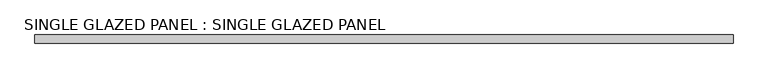
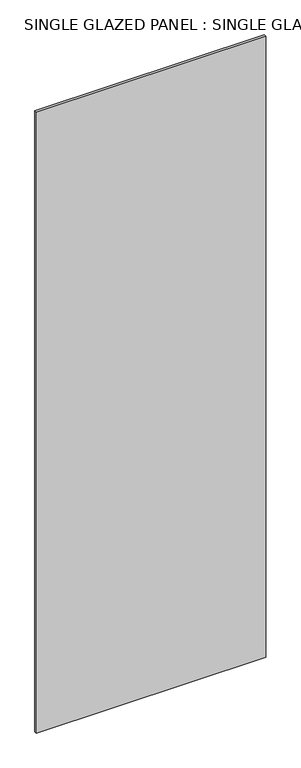
"""IFC4 building model written with IfcOpenShell, lengths in millimetres: plate geometry, SINGLE GLAZED PANEL : SINGLE GLAZED PANEL."""

from ifc_helpers import new_model, si_unit, origin, origin_with_axes, place, context, project, spatial, polyline, outline, extrude, source, transform, mapped, element, save


def single_glazed_panel_single_glazed_panel_b4634a82(model_context):
    return source(origin(), model_context, "Body", "SweptSolid", [
        extrude(outline(polyline([(531.79905, 6.35), (531.79905, -6.35), (-531.79905, -6.35), (-531.79905, 6.35), (531.79905, 6.35)])), origin_with_axes(), (0.0, 0.0, 1.0), 3041.65),
    ])


if __name__ == "__main__":
    model = new_model("IFC4")
    model_context = context("Model", 3, world=origin())
    ifc_project = project(units=[si_unit("LENGTHUNIT", "METRE", prefix="MILLI")], contexts=[model_context])
    site = spatial("IfcSite", under=ifc_project)
    building = spatial("IfcBuilding", under=site)
    placement = place(None, origin())
    single_glazed_panel_single_glazed_panel_shape = single_glazed_panel_single_glazed_panel_b4634a82(model_context)
    element("IfcPlate", 1, ObjectType="SINGLE GLAZED PANEL : SINGLE GLAZED PANEL", at=placement, inside=building, context=model_context, shape_type="MappedRepresentation", body=[
        mapped(single_glazed_panel_single_glazed_panel_shape, transform((0.0, 0.0, 0.0), x_axis=(1.0, 0.0, 0.0), y_axis=(0.0, 1.0, 0.0), z_axis=(0.0, 0.0, 1.0))),
    ])
    save(model, "model.ifc")
